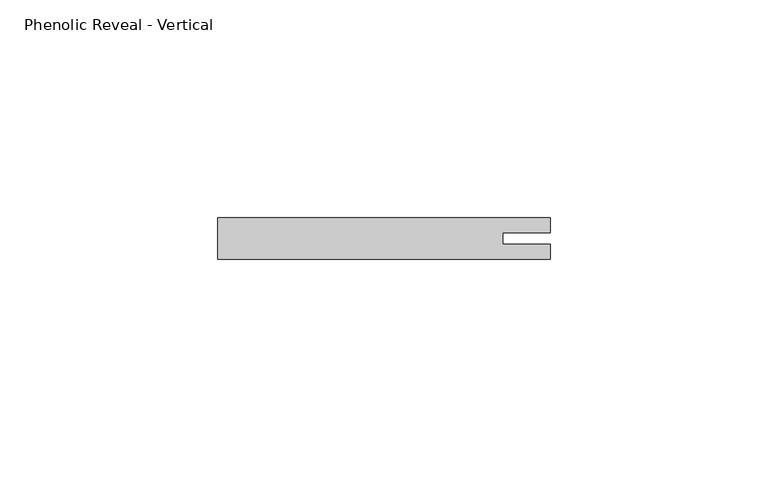
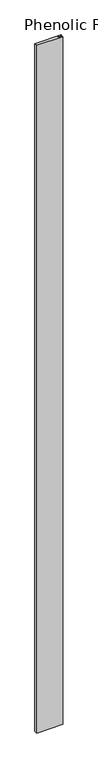
"""IFC4 building model written with IfcOpenShell, lengths in millimetres: proxy geometry, Phenolic Reveal - Vertical."""

from ifc_helpers import new_model, si_unit, origin, origin_with_axes, place, context, project, spatial, polyline, outline, extrude, source, transform, mapped, element, save


def phenolic_reveal_vertical_6e0a3cb0(model_context):
    return source(origin(), model_context, "Body", "SweptSolid", [
        extrude(outline(polyline([(76.2, -9.525), (0.0, -9.525), (0.0, 0.0), (76.2, 0.0), (76.2, -3.3757545), (65.3591015, -3.3757545), (65.3591015, -6.0765851), (76.2, -6.0765851), (76.2, -9.525)])), origin_with_axes(), (0.0, 0.0, 1.0), 2119.3125),
    ])


if __name__ == "__main__":
    model = new_model("IFC4")
    model_context = context("Model", 3, world=origin())
    ifc_project = project(units=[si_unit("LENGTHUNIT", "METRE", prefix="MILLI")], contexts=[model_context])
    site = spatial("IfcSite", under=ifc_project)
    building = spatial("IfcBuilding", under=site)
    placement = place(None, origin())
    phenolic_reveal_vertical_shape = phenolic_reveal_vertical_6e0a3cb0(model_context)
    element("IfcBuildingElementProxy", 1, Name="Phenolic Reveal - Vertical", ObjectType="Phenolic Reveal - Vertical", at=placement, inside=building, context=model_context, shape_type="MappedRepresentation", body=[
        mapped(phenolic_reveal_vertical_shape, transform((0.0, 0.0, 0.0), x_axis=(1.0, 0.0, 0.0), y_axis=(0.0, 1.0, 0.0), z_axis=(0.0, 0.0, 1.0))),
    ])
    save(model, "model.ifc")
